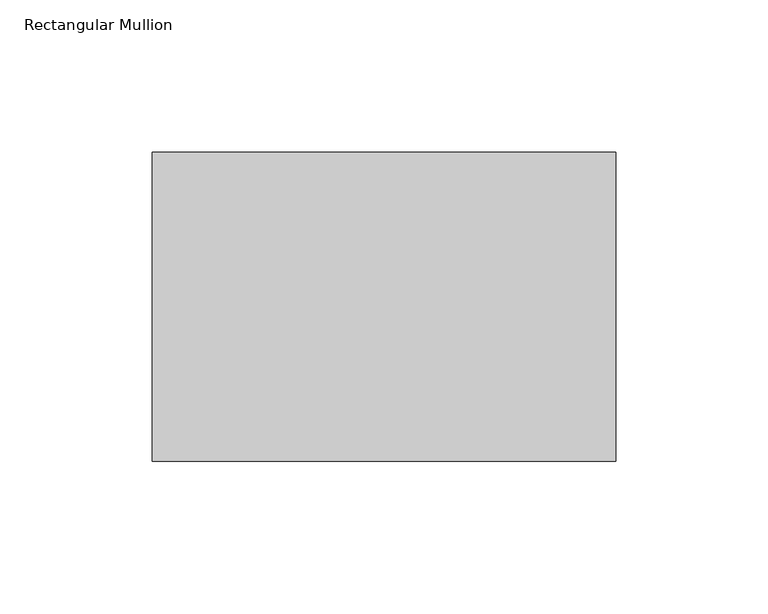
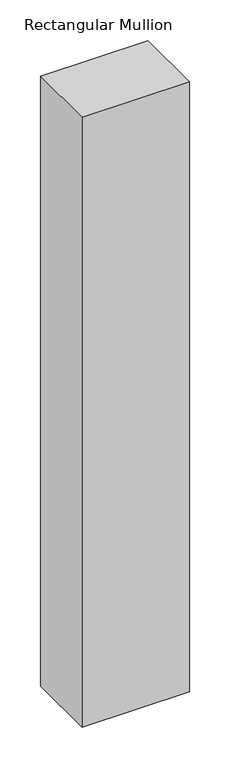
"""IFC4 building model written with IfcOpenShell, lengths in millimetres: member geometry, Rectangular Mullion."""

from ifc_helpers import new_model, si_unit, frame, origin, place, context, project, spatial, polyline, outline, extrude, source, transform, mapped, element, save


def rectangular_mullion_dd3d818e(model_context):
    return source(origin(), model_context, "Body", "SweptSolid", [
        extrude(outline(polyline([(0.0, 82.55), (0.0, -19.05), (-152.4, -19.05), (-152.4, 82.55), (0.0, 82.55)])), frame((0.0, 0.0, -914.4), z_axis=(0.0, 0.0, 1.0), x_axis=(1.0, 0.0, 0.0)), (0.0, 0.0, 1.0), 914.4),
    ])


if __name__ == "__main__":
    model = new_model("IFC4")
    model_context = context("Model", 3, world=origin())
    ifc_project = project(units=[si_unit("LENGTHUNIT", "METRE", prefix="MILLI")], contexts=[model_context])
    site = spatial("IfcSite", under=ifc_project)
    building = spatial("IfcBuilding", under=site)
    placement = place(None, origin())
    rectangular_mullion_shape = rectangular_mullion_dd3d818e(model_context)
    element("IfcMember", 1, ObjectType="Rectangular Mullion", at=placement, inside=building, context=model_context, shape_type="MappedRepresentation", body=[
        mapped(rectangular_mullion_shape, transform((0.0, 0.0, 0.0), x_axis=(1.0, 0.0, 0.0), y_axis=(0.0, 1.0, 0.0), z_axis=(0.0, 0.0, 1.0))),
    ])
    save(model, "model.ifc")
